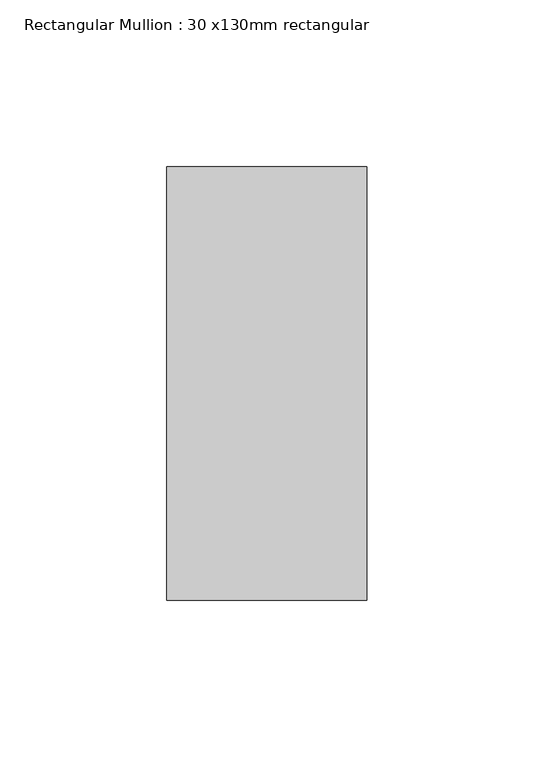
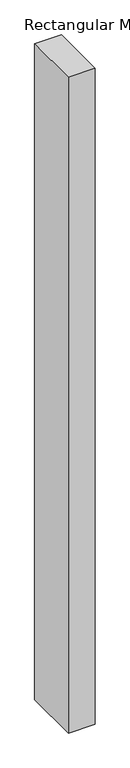
"""IFC4 building model written with IfcOpenShell, lengths in millimetres: member geometry, Rectangular Mullion : 30 x130mm rectangular."""

from ifc_helpers import new_model, si_unit, frame, origin, place, context, project, spatial, polyline, outline, extrude, source, transform, mapped, element, save


def rectangular_mullion_30_x130mm_rectangular_5465e8de(model_context):
    return source(origin(), model_context, "Body", "SweptSolid", [
        extrude(outline(polyline([(0.0, 65.0), (0.0, -65.0), (-60.0, -65.0), (-60.0, 65.0), (0.0, 65.0)])), frame((0.0, 0.0, -1547.1057069), z_axis=(0.0, 0.0, 1.0), x_axis=(1.0, 0.0, 0.0)), (0.0, 0.0, 1.0), 1547.1057069),
    ])


if __name__ == "__main__":
    model = new_model("IFC4")
    model_context = context("Model", 3, world=origin())
    ifc_project = project(units=[si_unit("LENGTHUNIT", "METRE", prefix="MILLI")], contexts=[model_context])
    site = spatial("IfcSite", under=ifc_project)
    building = spatial("IfcBuilding", under=site)
    placement = place(None, origin())
    rectangular_mullion_30_x130mm_rectangular_shape = rectangular_mullion_30_x130mm_rectangular_5465e8de(model_context)
    element("IfcMember", 1, ObjectType="Rectangular Mullion : 30 x130mm rectangular", at=placement, inside=building, context=model_context, shape_type="MappedRepresentation", body=[
        mapped(rectangular_mullion_30_x130mm_rectangular_shape, transform((0.0, 0.0, 0.0), x_axis=(1.0, 0.0, 0.0), y_axis=(0.0, 1.0, 0.0), z_axis=(0.0, 0.0, 1.0))),
    ])
    save(model, "model.ifc")
